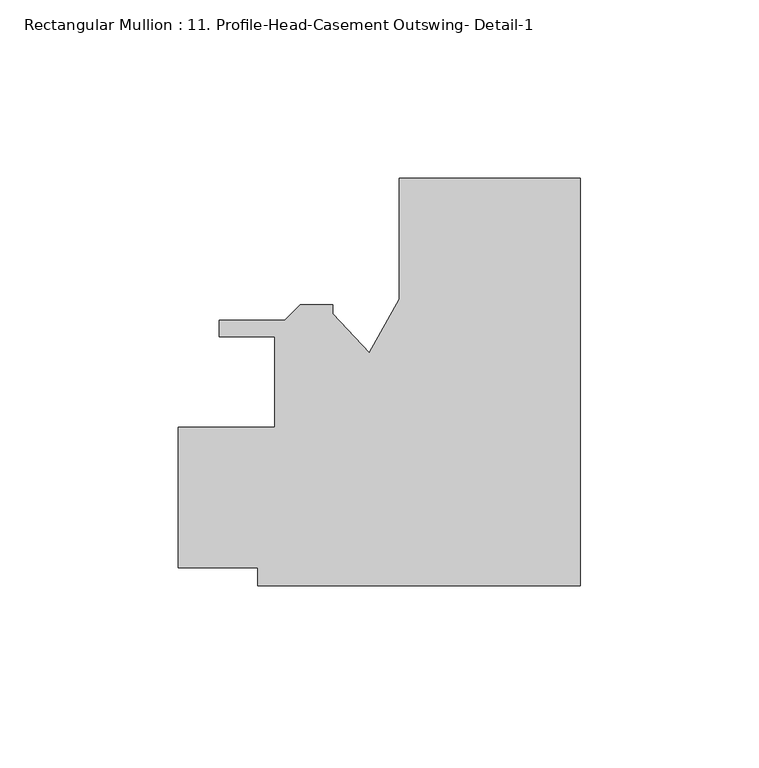
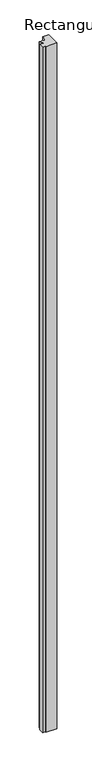
"""IFC4 building model written with IfcOpenShell, lengths in millimetres: member geometry, Rectangular Mullion : 11. Profile-Head-Casement Outswing- Detail-1."""

from ifc_helpers import new_model, si_unit, frame, origin, place, context, project, spatial, polyline, outline, extrude, source, transform, mapped, element, save


def rectangular_mullion_11_profile_head_casement_outswing_detail_5d9d597a(model_context):
    return source(origin(), model_context, "Body", "SweptSolid", [
        extrude(outline(polyline([(0.0, 57.1500635), (0.0, -57.15), (-90.4875, -57.15), (-90.4875, -52.0699365), (-112.7125, -52.0699365), (-112.7125, -12.6999367), (-85.7250005, -12.6999367), (-85.7250005, 12.7000634), (-101.2221564, 12.7000634), (-101.2221564, 17.3990635), (-82.8436417, 17.3990635), (-78.5764417, 21.6662635), (-69.4761495, 21.6662635), (-69.4761495, 19.1262636), (-59.1458639, 8.2794638), (-50.8, 23.1902636), (-50.8, 57.1500635), (0.0, 57.1500635)])), frame((0.0, 0.0, -5895.975), z_axis=(0.0, 0.0, 1.0), x_axis=(1.0, 0.0, 0.0)), (0.0, 0.0, 1.0), 5895.975),
    ])


if __name__ == "__main__":
    model = new_model("IFC4")
    model_context = context("Model", 3, world=origin())
    ifc_project = project(units=[si_unit("LENGTHUNIT", "METRE", prefix="MILLI")], contexts=[model_context])
    site = spatial("IfcSite", under=ifc_project)
    building = spatial("IfcBuilding", under=site)
    placement = place(None, origin())
    rectangular_mullion_11_profile_head_casement_outswing_detail_shape = rectangular_mullion_11_profile_head_casement_outswing_detail_5d9d597a(model_context)
    element("IfcMember", 1, ObjectType="Rectangular Mullion : 11. Profile-Head-Casement Outswing- Detail-1", at=placement, inside=building, context=model_context, shape_type="MappedRepresentation", body=[
        mapped(rectangular_mullion_11_profile_head_casement_outswing_detail_shape, transform((0.0, 0.0, 0.0), x_axis=(1.0, 0.0, 0.0), y_axis=(0.0, 1.0, 0.0), z_axis=(0.0, 0.0, 1.0))),
    ])
    save(model, "model.ifc")
